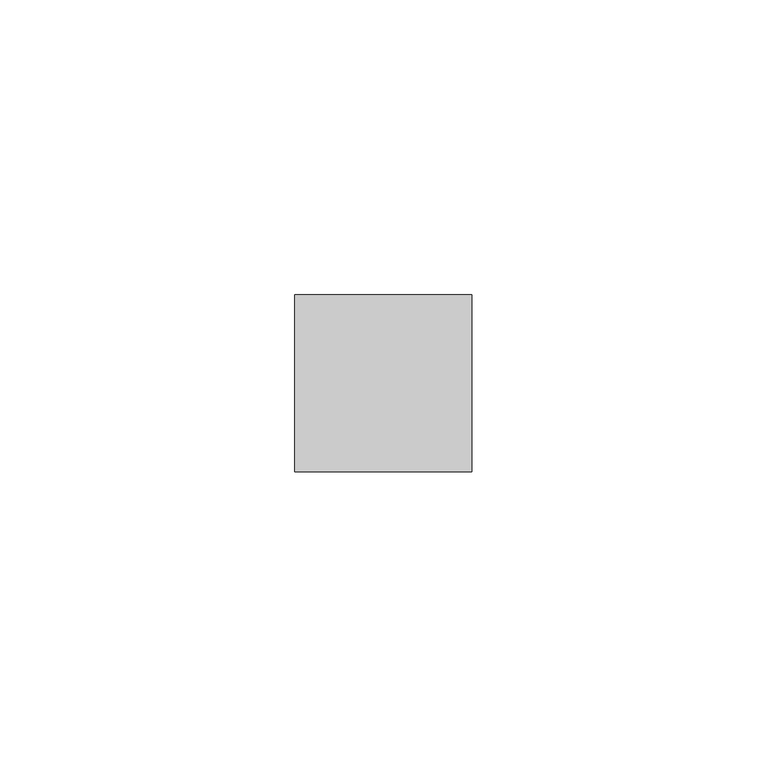
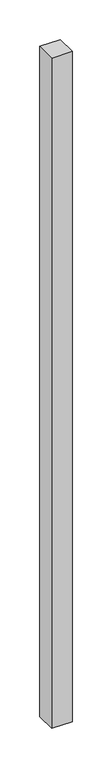
"""IFC4 building model written with IfcOpenShell, lengths in millimetres: member geometry."""

from ifc_helpers import new_model, si_unit, frame, origin, place, context, project, spatial, polyline, outline, extrude, source, transform, mapped, element, save


def member_6ead89c0(model_context):
    return source(origin(), model_context, "Body", "SweptSolid", [
        extrude(outline(polyline([(15.0, 15.0), (15.0, -15.0), (-15.0, -15.0), (-15.0, 15.0), (15.0, 15.0)])), frame((0.0, 0.0, -1032.5), z_axis=(0.0, 0.0, 1.0), x_axis=(1.0, 0.0, 0.0)), (0.0, 0.0, 1.0), 1032.5),
    ])


if __name__ == "__main__":
    model = new_model("IFC4")
    model_context = context("Model", 3, world=origin())
    ifc_project = project(units=[si_unit("LENGTHUNIT", "METRE", prefix="MILLI")], contexts=[model_context])
    site = spatial("IfcSite", under=ifc_project)
    building = spatial("IfcBuilding", under=site)
    placement = place(None, origin())
    member_shape = member_6ead89c0(model_context)
    element("IfcMember", 1, at=placement, inside=building, context=model_context, shape_type="MappedRepresentation", body=[
        mapped(member_shape, transform((0.0, 0.0, 0.0), x_axis=(1.0, 0.0, 0.0), y_axis=(0.0, 1.0, 0.0), z_axis=(0.0, 0.0, 1.0))),
    ])
    save(model, "model.ifc")
